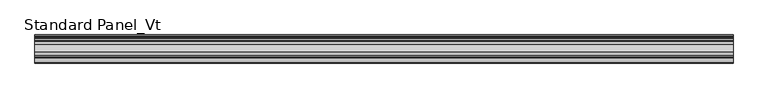
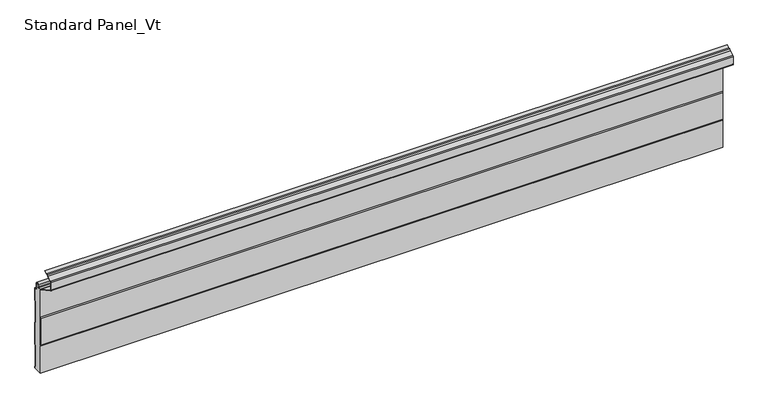
"""IFC4 building model written with IfcOpenShell, lengths in millimetres: proxy geometry, Standard Panel_Vt."""

from ifc_helpers import new_model, si_unit, point, frame, frame_2d, origin, place, context, project, spatial, polyline, circle_curve, trimmed, segment, composite_curve, outline, extrude, source, transform, mapped, element, save


def standard_panel_vt_824beaaf(model_context):
    return source(origin(), model_context, "Body", "SweptSolid", [
        extrude(outline(composite_curve([segment(trimmed(circle_curve(frame_2d((-21.736297, 186.656399)), 2.55), [point((-19.186297, 186.656399))], [point((-19.5970804, 188.0442938))], True, "CARTESIAN"), True, "CONTINUOUS"), segment(polyline([(-19.5970804, 188.0442938), (-13.0699171, 188.0442938), (-11.8132517, 193.4875095)]), True, "CONTINUOUS"), segment(trimmed(circle_curve(frame_2d((-9.036297, 192.846399)), 2.85), [point((-11.8132517, 193.4875095))], [point((-6.186297, 192.846399))], False, "CARTESIAN"), True, "CONTINUOUS"), segment(polyline([(-6.186297, 192.846399), (-6.186297, 183.046399)]), True, "CONTINUOUS"), segment(trimmed(circle_curve(frame_2d((-3.436297, 183.046399)), 2.75), [point((-6.186297, 183.046399))], [point((-3.436297, 180.296399))], True, "CARTESIAN"), True, "CONTINUOUS"), segment(polyline([(-3.436297, 180.296399), (-2.036297, 180.296399)]), True, "CONTINUOUS"), segment(trimmed(circle_curve(frame_2d((-2.036297, 179.046399)), 1.25), [point((-2.036297, 180.296399))], [point((-0.786297, 179.046399))], False, "CARTESIAN"), True, "CONTINUOUS"), segment(polyline([(-0.786297, 179.046399), (-0.786297, 152.0331036), (-1.786297, 150.3010528), (-1.786297, 103.8770917), (-0.786297, 102.1025902), (-0.786297, 53.0331036), (-1.8, 51.3010528), (-1.8, 4.8364357), (-0.8, 3.1043849), (-0.8, 0.0), (-19.186297, 0.0), (-19.186297, 60.8072201), (-20.1546867, 63.1888535), (-20.1546867, 122.9801942), (-19.186297, 125.3618275), (-19.186297, 186.656399)]), True, "CONTINUOUS")], self_intersect=False)), frame((-723.9042608, 0.0, 0.0), z_axis=(1.0, 0.0, 0.0), x_axis=(0.0, 1.0, 0.0)), (0.0, 0.0, 1.0), 1447.8085217),
        extrude(outline(composite_curve([segment(trimmed(circle_curve(frame_2d((-21.75, 186.656399)), 1.75), [point((-20.0, 186.656399))], [point((-20.9284248, 188.2015573))], True, "CARTESIAN"), True, "CONTINUOUS"), segment(polyline([(-20.9284248, 188.2015573), (-56.8563836, 207.3047918)]), True, "CONTINUOUS"), segment(trimmed(circle_curve(frame_2d((-55.5183897, 209.8211925)), 2.85), [point((-56.8563836, 207.3047918))], [point((-58.3683897, 209.8211925))], False, "CARTESIAN"), True, "CONTINUOUS"), segment(polyline([(-58.3683897, 209.8211925), (-58.3683897, 226.562)]), True, "CONTINUOUS"), segment(trimmed(circle_curve(frame_2d((-55.5183897, 226.562)), 2.85), [point((-58.3683897, 226.562))], [point((-56.8563836, 229.0784006))], False, "CARTESIAN"), True, "CONTINUOUS"), segment(polyline([(-56.8563836, 229.0784006), (-47.6702585, 233.96275), (-45.3708693, 236.3802976), (-42.000038, 236.9776597), (-36.2289737, 240.046189), (-35.8533964, 239.339831), (-41.7360251, 236.2119818), (-44.9723908, 235.638449), (-47.1800551, 233.3173397), (-56.4808064, 228.3720426)]), True, "CONTINUOUS"), segment(trimmed(circle_curve(frame_2d((-55.5183897, 226.562)), 2.05), [point((-56.4808064, 228.3720426))], [point((-57.5683897, 226.562))], True, "CARTESIAN"), True, "CONTINUOUS"), segment(polyline([(-57.5683897, 226.562), (-57.5683897, 209.8211925)]), True, "CONTINUOUS"), segment(trimmed(circle_curve(frame_2d((-55.5183897, 209.8211925)), 2.05), [point((-57.5683897, 209.8211925))], [point((-56.4808064, 208.0111499))], True, "CARTESIAN"), True, "CONTINUOUS"), segment(polyline([(-56.4808064, 208.0111499), (-20.5528475, 188.9079153)]), True, "CONTINUOUS"), segment(trimmed(circle_curve(frame_2d((-21.75, 186.656399)), 2.55), [point((-20.5528475, 188.9079153))], [point((-19.2, 186.656399))], False, "CARTESIAN"), True, "CONTINUOUS"), segment(polyline([(-19.2, 186.656399), (-19.2, 125.3618275), (-20.1683897, 122.9801942), (-20.1683897, 63.1888535), (-19.2, 60.8072201), (-19.2, 0.0), (-20.0, 0.0), (-20.0, 60.6507954), (-20.9683897, 63.0324287), (-20.9683897, 123.1366189), (-20.0, 125.5182523), (-20.0, 186.656399)]), True, "CONTINUOUS")], self_intersect=False)), frame((-723.9042608, 0.0, 0.0), z_axis=(1.0, 0.0, 0.0), x_axis=(0.0, 1.0, 0.0)), (0.0, 0.0, 1.0), 1447.8085217),
        extrude(outline(composite_curve([segment(polyline([(0.0, 3.3187443), (0.0, 0.0), (-0.8, 0.0), (-0.8, 3.1043849), (-1.8, 4.8364357), (-1.8, 51.3010528), (-0.786297, 53.0331036), (-0.786297, 102.1025902), (-1.786297, 103.8770917), (-1.786297, 150.3010528), (-0.786297, 152.0331036), (-0.786297, 179.046399)]), True, "CONTINUOUS"), segment(trimmed(circle_curve(frame_2d((-2.036297, 179.046399)), 1.25), [point((-0.786297, 179.046399))], [point((-2.036297, 180.296399))], True, "CARTESIAN"), True, "CONTINUOUS"), segment(polyline([(-2.036297, 180.296399), (-3.436297, 180.296399)]), True, "CONTINUOUS"), segment(trimmed(circle_curve(frame_2d((-3.436297, 183.046399)), 2.75), [point((-3.436297, 180.296399))], [point((-6.186297, 183.046399))], False, "CARTESIAN"), True, "CONTINUOUS"), segment(polyline([(-6.186297, 183.046399), (-6.186297, 192.846399)]), True, "CONTINUOUS"), segment(trimmed(circle_curve(frame_2d((-9.036297, 192.846399)), 2.85), [point((-6.186297, 192.846399))], [point((-11.8132517, 193.4875095))], True, "CARTESIAN"), True, "CONTINUOUS"), segment(polyline([(-11.8132517, 193.4875095), (-13.0699171, 188.0442938), (-13.8494131, 188.2242547), (-12.5927478, 193.6674703)]), True, "CONTINUOUS"), segment(trimmed(circle_curve(frame_2d((-9.036297, 192.846399)), 3.65), [point((-12.5927478, 193.6674703))], [point((-5.386297, 192.846399))], False, "CARTESIAN"), True, "CONTINUOUS"), segment(polyline([(-5.386297, 192.846399), (-5.386297, 183.046399)]), True, "CONTINUOUS"), segment(trimmed(circle_curve(frame_2d((-3.436297, 183.046399)), 1.95), [point((-5.386297, 183.046399))], [point((-3.436297, 181.096399))], True, "CARTESIAN"), True, "CONTINUOUS"), segment(polyline([(-3.436297, 181.096399), (-2.036297, 181.096399)]), True, "CONTINUOUS"), segment(trimmed(circle_curve(frame_2d((-2.036297, 179.046399)), 2.05), [point((-2.036297, 181.096399))], [point((0.013703, 179.046399))], False, "CARTESIAN"), True, "CONTINUOUS"), segment(polyline([(0.013703, 179.046399), (0.013703, 151.8187443), (-0.986297, 150.0866935), (-0.986297, 104.0869897), (0.013703, 102.3124882), (0.013703, 52.8187443), (-1.0, 51.0866935), (-1.0, 5.0507951), (0.0, 3.3187443)]), True, "CONTINUOUS")], self_intersect=False)), frame((-723.9042608, 0.0, 0.0), z_axis=(1.0, 0.0, 0.0), x_axis=(0.0, 1.0, 0.0)), (0.0, 0.0, 1.0), 1447.8085217),
    ])


if __name__ == "__main__":
    model = new_model("IFC4")
    model_context = context("Model", 3, world=origin())
    ifc_project = project(units=[si_unit("LENGTHUNIT", "METRE", prefix="MILLI")], contexts=[model_context])
    site = spatial("IfcSite", under=ifc_project)
    building = spatial("IfcBuilding", under=site)
    placement = place(None, origin())
    standard_panel_vt_shape = standard_panel_vt_824beaaf(model_context)
    element("IfcBuildingElementProxy", 1, Name="Standard Panel_Vt", ObjectType="Standard Panel_Vt", at=placement, inside=building, context=model_context, shape_type="MappedRepresentation", body=[
        mapped(standard_panel_vt_shape, transform((0.0, 0.0, 0.0), x_axis=(1.0, 0.0, 0.0), y_axis=(0.0, 1.0, 0.0), z_axis=(0.0, 0.0, 1.0))),
    ])
    save(model, "model.ifc")
